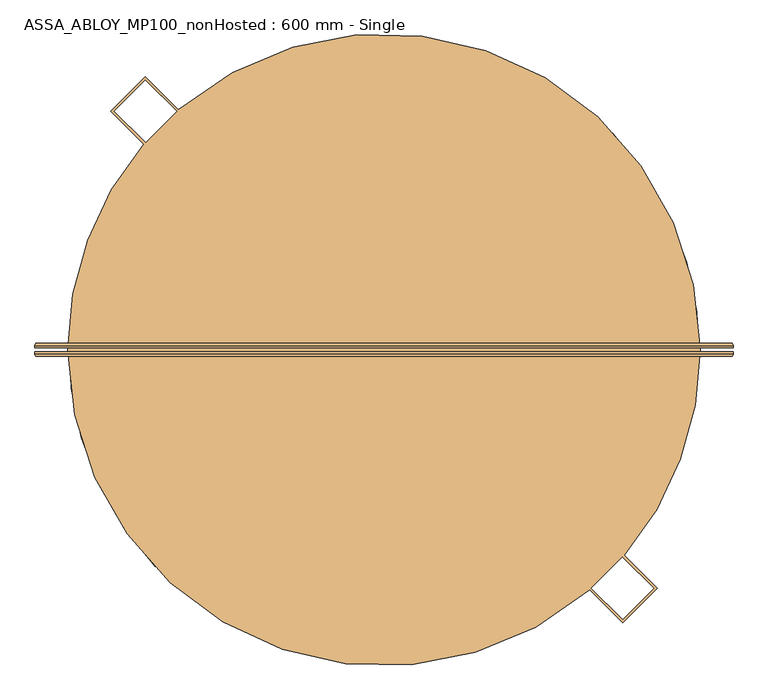
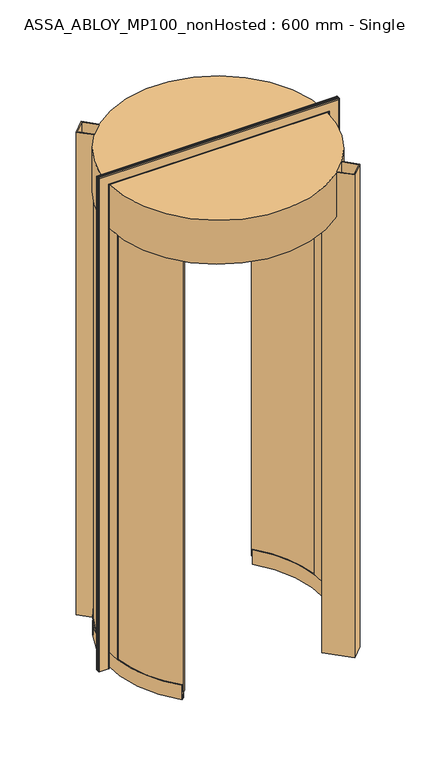
"""IFC4 building model written with IfcOpenShell, lengths in millimetres: door geometry, ASSA_ABLOY_MP100_nonHosted : 600 mm - Single."""

from ifc_helpers import new_model, si_unit, point, frame, origin, origin_2d, place, context, project, spatial, polyline, circle_curve, ellipse_curve, trimmed, segment, composite_curve, outline, extrude, source, transform, mapped, element, save
from ifc_brep_helpers import plane_surface, cylinder_surface, revolved_surface, advanced_brep


def assa_abloy_mp100_nonhosted_600_mm_single_02954cbb(model_context):
    return source(origin(), model_context, "Body", "SolidModel", [
        advanced_brep(
        [(567.5980762, 11.0, 0.0), (571.5980762, 7.0, 0.0), (571.5980762, 3.0, 0.0), (569.5980762, 3.0, 0.0), (569.5980762, 7.0, 0.0), (567.5980762, 9.0, 0.0), (525.5980762, 9.0, 0.0), (523.5980762, 7.0, 0.0), (523.5980762, 3.0, 0.0), (521.5980762, 3.0, 0.0), (521.5980762, 7.0, 0.0), (525.5980762, 11.0, 0.0), (567.5980762, 11.0, 2470.9980762), (571.5980762, 7.0, 2474.9980762), (571.5980762, 3.0, 2474.9980762), (521.5980762, 7.0, 2424.9980762), (525.5980762, 11.0, 2428.9980762), (-525.5980762, 11.0, 2428.9980762), (-525.5980762, 11.0, 0.0), (-567.5980762, 11.0, 0.0), (-567.5980762, 11.0, 2470.9980762), (-571.5980762, 7.0, 2474.9980762), (-571.5980762, 3.0, 2474.9980762), (-521.5980762, 7.0, 2424.9980762), (-521.5980762, 7.0, 0.0), (-521.5980762, 3.0, 0.0), (-523.5980762, 3.0, 0.0), (-523.5980762, 7.0, 0.0), (-525.5980762, 9.0, 0.0), (-567.5980762, 9.0, 0.0), (-569.5980762, 7.0, 0.0), (-569.5980762, 3.0, 0.0), (-571.5980762, 3.0, 0.0), (-571.5980762, 7.0, 0.0), (-569.5980762, 3.0, 2472.9980762), (569.5980762, 3.0, 2472.9980762), (569.5980762, 7.0, 2472.9980762), (567.5980762, 9.0, 2470.9980762), (-567.5980762, 9.0, 2470.9980762), (-525.5980762, 9.0, 2428.9980762), (525.5980762, 9.0, 2428.9980762), (523.5980762, 7.0, 2426.9980762), (523.5980762, 3.0, 2426.9980762), (-523.5980762, 3.0, 2426.9980762), (-521.5980762, 3.0, 2424.9980762), (521.5980762, 3.0, 2424.9980762), (-569.5980762, 7.0, 2472.9980762), (-523.5980762, 7.0, 2426.9980762)],
        [
            (0, 1, circle_curve(frame((567.5980762, 7.0, 0.0), z_axis=(0.0, 0.0, -1.0), x_axis=(-1.0, 0.0, 0.0)), 4.0)),
            (1, 2),
            (2, 3),
            (3, 4),
            (4, 5, circle_curve(frame((567.5980762, 7.0, 0.0), z_axis=(0.0, 0.0, 1.0), x_axis=(-1.0, 0.0, 0.0)), 2.0)),
            (5, 6),
            (6, 7, circle_curve(frame((525.5980762, 7.0, 0.0), z_axis=(0.0, 0.0, 1.0), x_axis=(-1.0, 0.0, 0.0)), 2.0)),
            (7, 8),
            (8, 9),
            (9, 10),
            (10, 11, circle_curve(frame((525.5980762, 7.0, 0.0), z_axis=(0.0, 0.0, -1.0), x_axis=(-1.0, 0.0, 0.0)), 4.0)),
            (11, 0),
            (0, 12),
            (12, 13, ellipse_curve(frame((567.5980762, 7.0, 2470.9980762), z_axis=(0.7071067811865475, 0.0, -0.7071067811865475), x_axis=(-0.7071067811865474, 0.0, -0.7071067811865476)), 5.6568542, 4.0)),
            (13, 1),
            (13, 14),
            (14, 2),
            (10, 15),
            (15, 16, ellipse_curve(frame((525.5980762, 7.0, 2428.9980762), z_axis=(0.7071067811865475, 0.0, -0.7071067811865475), x_axis=(-0.7071067811865474, 0.0, -0.7071067811865476)), 5.6568542, 4.0)),
            (16, 11),
            (16, 17),
            (17, 18),
            (18, 19),
            (19, 20),
            (20, 12),
            (20, 21, ellipse_curve(frame((-567.5980762, 7.0, 2470.9980762), z_axis=(0.7071067811865475, 0.0, 0.7071067811865475), x_axis=(0.7071067811865476, 0.0, -0.7071067811865474)), 5.6568542, 4.0)),
            (21, 13),
            (21, 22),
            (22, 14),
            (15, 23),
            (23, 17, ellipse_curve(frame((-525.5980762, 7.0, 2428.9980762), z_axis=(0.7071067811865475, 0.0, 0.7071067811865475), x_axis=(0.7071067811865476, 0.0, -0.7071067811865474)), 5.6568542, 4.0)),
            (18, 24, circle_curve(frame((-525.5980762, 7.0, 0.0), z_axis=(0.0, 0.0, -1.0), x_axis=(1.0, 0.0, 0.0)), 4.0)),
            (24, 25),
            (25, 26),
            (26, 27),
            (27, 28, circle_curve(frame((-525.5980762, 7.0, 0.0), z_axis=(0.0, 0.0, 1.0), x_axis=(1.0, 0.0, 0.0)), 2.0)),
            (28, 29),
            (29, 30, circle_curve(frame((-567.5980762, 7.0, 0.0), z_axis=(0.0, 0.0, 1.0), x_axis=(1.0, 0.0, 0.0)), 2.0)),
            (30, 31),
            (31, 32),
            (32, 33),
            (33, 19, circle_curve(frame((-567.5980762, 7.0, 0.0), z_axis=(0.0, 0.0, -1.0), x_axis=(1.0, 0.0, 0.0)), 4.0)),
            (33, 21),
            (32, 22),
            (23, 24),
            (31, 34),
            (34, 35),
            (35, 3),
            (35, 36),
            (36, 4),
            (36, 37, ellipse_curve(frame((567.5980762, 7.0, 2470.9980762), z_axis=(-0.7071067811865475, 0.0, 0.7071067811865475), x_axis=(0.7071067811865474, 0.0, 0.7071067811865476)), 2.8284271, 2.0)),
            (37, 5),
            (37, 38),
            (38, 29),
            (28, 39),
            (39, 40),
            (40, 6),
            (40, 41, ellipse_curve(frame((525.5980762, 7.0, 2428.9980762), z_axis=(-0.7071067811865475, 0.0, 0.7071067811865475), x_axis=(0.7071067811865474, 0.0, 0.7071067811865476)), 2.8284271, 2.0)),
            (41, 7),
            (41, 42),
            (42, 8),
            (42, 43),
            (43, 26),
            (25, 44),
            (44, 45),
            (45, 9),
            (45, 15),
            (34, 46),
            (46, 36),
            (46, 38, ellipse_curve(frame((-567.5980762, 7.0, 2470.9980762), z_axis=(-0.7071067811865475, 0.0, -0.7071067811865475), x_axis=(-0.7071067811865476, 0.0, 0.7071067811865474)), 2.8284271, 2.0)),
            (39, 47, ellipse_curve(frame((-525.5980762, 7.0, 2428.9980762), z_axis=(-0.7071067811865475, 0.0, -0.7071067811865475), x_axis=(-0.7071067811865476, 0.0, 0.7071067811865474)), 2.8284271, 2.0)),
            (47, 41),
            (47, 43),
            (44, 23),
            (30, 46),
            (27, 47),
        ],
        [
            plane_surface(frame((521.6, 0.0, 0.0), z_axis=(0.0, 0.0, -1.0), x_axis=(0.0, -1.0, 0.0))),
            cylinder_surface(frame((567.5980762, 7.0, 0.0), z_axis=(0.0, 0.0, -1.0), x_axis=(-1.0, 0.0, 0.0)), 4.0),
            plane_surface(frame((571.5980762, 7.0, 0.0), z_axis=(1.0, 0.0, 0.0), x_axis=(0.0, 0.0, 1.0))),
            cylinder_surface(frame((525.5980762, 7.0, 0.0), z_axis=(0.0, 0.0, -1.0), x_axis=(-1.0, 0.0, 0.0)), 4.0),
            plane_surface(frame((525.5980762, 11.0, 0.0), z_axis=(0.0, 1.0, 0.0), x_axis=(0.0, 0.0, 1.0))),
            cylinder_surface(frame((521.6, 7.0, 2470.9980762), z_axis=(1.0, 0.0, 0.0), x_axis=(0.0, 0.0, -1.0)), 4.0),
            plane_surface(frame((571.5980762, 7.0, 2474.9980762), z_axis=(0.0, 0.0, 1.0), x_axis=(-1.0, 0.0, 0.0))),
            cylinder_surface(frame((521.6, 7.0, 2428.9980762), z_axis=(1.0, 0.0, 0.0), x_axis=(0.0, 0.0, -1.0)), 4.0),
            plane_surface(frame((-521.6, 0.0, 0.0), z_axis=(0.0, 0.0, -1.0), x_axis=(0.0, -1.0, 0.0))),
            cylinder_surface(frame((-567.5980762, 7.0, 2425.0), z_axis=(0.0, 0.0, 1.0), x_axis=(1.0, 0.0, 0.0)), 4.0),
            plane_surface(frame((-571.5980762, 7.0, 2474.9980762), z_axis=(-1.0, 0.0, 0.0), x_axis=(0.0, 0.0, -1.0))),
            cylinder_surface(frame((-525.5980762, 7.0, 2425.0), z_axis=(0.0, 0.0, 1.0), x_axis=(1.0, 0.0, 0.0)), 4.0),
            plane_surface(frame((571.5980762, 3.0, 0.0), z_axis=(0.0, -1.0, 0.0), x_axis=(0.0, 0.0, 1.0))),
            plane_surface(frame((569.5980762, 3.0, 0.0), z_axis=(-1.0, 0.0, 0.0), x_axis=(0.0, 0.0, 1.0))),
            revolved_surface(polyline([(565.5980762, 7.0, 2472.9980762), (565.5980762, 7.0, 0.0)]), (567.5980762, 7.0, 0.0), (0.0, 0.0, 1.0)),
            plane_surface(frame((567.5980762, 9.0, 0.0), z_axis=(0.0, -1.0, 0.0), x_axis=(0.0, 0.0, 1.0))),
            revolved_surface(polyline([(523.5980762, 7.0, 2430.998076182502), (523.5980762, 7.0, 0.0)]), (525.5980762, 7.0, 0.0), (0.0, 0.0, 1.0)),
            plane_surface(frame((523.5980762, 7.0, 0.0), z_axis=(1.0, 0.0, 0.0), x_axis=(0.0, 0.0, 1.0))),
            plane_surface(frame((523.5980762, 3.0, 0.0), z_axis=(0.0, -1.0, 0.0), x_axis=(0.0, 0.0, 1.0))),
            plane_surface(frame((521.5980762, 3.0, 0.0), z_axis=(-1.0, 0.0, 0.0), x_axis=(0.0, 0.0, 1.0))),
            plane_surface(frame((569.5980762, 3.0, 2472.9980762), z_axis=(0.0, 0.0, -1.0), x_axis=(-1.0, 0.0, 0.0))),
            revolved_surface(polyline([(-569.5980762, 7.0, 2468.9980762), (569.5980762, 7.0, 2468.9980762)]), (521.6, 7.0, 2470.9980762), (-1.0, 0.0, 0.0)),
            revolved_surface(polyline([(-527.5980761825018, 7.0, 2426.9980762), (527.5980761825018, 7.0, 2426.9980762)]), (521.6, 7.0, 2428.9980762), (-1.0, 0.0, 0.0)),
            plane_surface(frame((523.5980762, 7.0, 2426.9980762), z_axis=(0.0, 0.0, 1.0), x_axis=(-1.0, 0.0, 0.0))),
            plane_surface(frame((521.5980762, 3.0, 2424.9980762), z_axis=(0.0, 0.0, -1.0), x_axis=(-1.0, 0.0, 0.0))),
            plane_surface(frame((-569.5980762, 3.0, 2472.9980762), z_axis=(1.0, 0.0, 0.0), x_axis=(0.0, 0.0, -1.0))),
            revolved_surface(polyline([(-565.5980762, 7.0, 0.0), (-565.5980762, 7.0, 2472.9980762)]), (-567.5980762, 7.0, 2425.0), (0.0, 0.0, -1.0)),
            revolved_surface(polyline([(-523.5980762, 7.0, 0.0), (-523.5980762, 7.0, 2430.998076182502)]), (-525.5980762, 7.0, 2425.0), (0.0, 0.0, -1.0)),
            plane_surface(frame((-523.5980762, 7.0, 2426.9980762), z_axis=(-1.0, 0.0, 0.0), x_axis=(0.0, 0.0, -1.0))),
            plane_surface(frame((-521.5980762, 3.0, 2424.9980762), z_axis=(1.0, 0.0, 0.0), x_axis=(0.0, 0.0, -1.0))),
        ],
        [
            (0, [[1, 2, 3, 4, 5, 6, 7, 8, 9, 10, 11, 12]]),
            (1, [[-1, 13, 14, 15]]),
            (2, [[-2, -15, 16, 17]]),
            (3, [[-11, 18, 19, 20]]),
            (4, [[-12, -20, 21, 22, 23, 24, 25, -13]]),
            (5, [[-14, -25, 26, 27]]),
            (6, [[-16, -27, 28, 29]]),
            (7, [[-19, 30, 31, -21]]),
            (8, [[-23, 32, 33, 34, 35, 36, 37, 38, 39, 40, 41, 42]]),
            (9, [[-26, -24, -42, 43]]),
            (10, [[-28, -43, -41, 44]]),
            (11, [[-31, 45, -32, -22]]),
            (12, [[-3, -17, -29, -44, -40, 46, 47, 48]]),
            (13, [[-4, -48, 49, 50]]),
            (14, [[-5, -50, 51, 52]]),
            (15, [[-6, -52, 53, 54, -37, 55, 56, 57]]),
            (16, [[-7, -57, 58, 59]]),
            (17, [[-8, -59, 60, 61]]),
            (18, [[-9, -61, 62, 63, -34, 64, 65, 66]]),
            (19, [[-10, -66, 67, -18]]),
            (20, [[-49, -47, 68, 69]]),
            (21, [[-51, -69, 70, -53]]),
            (22, [[-58, -56, 71, 72]]),
            (23, [[-60, -72, 73, -62]]),
            (24, [[-67, -65, 74, -30]]),
            (25, [[-68, -46, -39, 75]]),
            (26, [[-70, -75, -38, -54]]),
            (27, [[-71, -55, -36, 76]]),
            (28, [[-73, -76, -35, -63]]),
            (29, [[-74, -64, -33, -45]]),
        ],
    ),
        advanced_brep(
        [(521.5980762, -3.0, 0.0), (523.5980762, -3.0, 0.0), (523.5980762, -7.0, 0.0), (525.5980762, -9.0, 0.0), (567.5980762, -9.0, 0.0), (569.5980762, -7.0, 0.0), (569.5980762, -3.0, 0.0), (571.5980762, -3.0, 0.0), (571.5980762, -7.0, 0.0), (567.5980762, -11.0, 0.0), (525.5980762, -11.0, 0.0), (521.5980762, -7.0, 0.0), (571.5980762, -7.0, 2474.9980762), (567.5980762, -11.0, 2470.9980762), (-567.5980762, -11.0, 2470.9980762), (-567.5980762, -11.0, 0.0), (-525.5980762, -11.0, 0.0), (-525.5980762, -11.0, 2428.9980762), (525.5980762, -11.0, 2428.9980762), (521.5980762, -7.0, 2424.9980762), (521.5980762, -3.0, 2424.9980762), (-571.5980762, -7.0, 2474.9980762), (-521.5980762, -7.0, 2424.9980762), (-521.5980762, -3.0, 2424.9980762), (-521.5980762, -3.0, 0.0), (-521.5980762, -7.0, 0.0), (-571.5980762, -7.0, 0.0), (-571.5980762, -3.0, 0.0), (-569.5980762, -3.0, 0.0), (-569.5980762, -7.0, 0.0), (-567.5980762, -9.0, 0.0), (-525.5980762, -9.0, 0.0), (-523.5980762, -7.0, 0.0), (-523.5980762, -3.0, 0.0), (-523.5980762, -3.0, 2426.9980762), (523.5980762, -3.0, 2426.9980762), (523.5980762, -7.0, 2426.9980762), (525.5980762, -9.0, 2428.9980762), (-525.5980762, -9.0, 2428.9980762), (-567.5980762, -9.0, 2470.9980762), (567.5980762, -9.0, 2470.9980762), (569.5980762, -7.0, 2472.9980762), (569.5980762, -3.0, 2472.9980762), (-569.5980762, -3.0, 2472.9980762), (-571.5980762, -3.0, 2474.9980762), (571.5980762, -3.0, 2474.9980762), (-523.5980762, -7.0, 2426.9980762), (-569.5980762, -7.0, 2472.9980762)],
        [
            (0, 1),
            (1, 2),
            (2, 3, circle_curve(frame((525.5980762, -7.0, 0.0), z_axis=(0.0, 0.0, 1.0), x_axis=(-1.0, 0.0, 0.0)), 2.0)),
            (3, 4),
            (4, 5, circle_curve(frame((567.5980762, -7.0, 0.0), z_axis=(0.0, 0.0, 1.0), x_axis=(-1.0, 0.0, 0.0)), 2.0)),
            (5, 6),
            (6, 7),
            (7, 8),
            (8, 9, circle_curve(frame((567.5980762, -7.0, 0.0), z_axis=(0.0, 0.0, -1.0), x_axis=(-1.0, 0.0, 0.0)), 4.0)),
            (9, 10),
            (10, 11, circle_curve(frame((525.5980762, -7.0, 0.0), z_axis=(0.0, 0.0, -1.0), x_axis=(-1.0, 0.0, 0.0)), 4.0)),
            (11, 0),
            (8, 12),
            (12, 13, ellipse_curve(frame((567.5980762, -7.0, 2470.9980762), z_axis=(0.7071067811865475, 0.0, -0.7071067811865475), x_axis=(-0.7071067811865474, 0.0, -0.7071067811865476)), 5.6568542, 4.0)),
            (13, 9),
            (13, 14),
            (14, 15),
            (15, 16),
            (16, 17),
            (17, 18),
            (18, 10),
            (18, 19, ellipse_curve(frame((525.5980762, -7.0, 2428.9980762), z_axis=(0.7071067811865475, 0.0, -0.7071067811865475), x_axis=(-0.7071067811865474, 0.0, -0.7071067811865476)), 5.6568542, 4.0)),
            (19, 11),
            (19, 20),
            (20, 0),
            (12, 21),
            (21, 14, ellipse_curve(frame((-567.5980762, -7.0, 2470.9980762), z_axis=(0.7071067811865475, 0.0, 0.7071067811865475), x_axis=(0.7071067811865476, 0.0, -0.7071067811865474)), 5.6568542, 4.0)),
            (17, 22, ellipse_curve(frame((-525.5980762, -7.0, 2428.9980762), z_axis=(0.7071067811865475, 0.0, 0.7071067811865475), x_axis=(0.7071067811865476, 0.0, -0.7071067811865474)), 5.6568542, 4.0)),
            (22, 19),
            (22, 23),
            (23, 20),
            (24, 25),
            (25, 16, circle_curve(frame((-525.5980762, -7.0, 0.0), z_axis=(0.0, 0.0, -1.0), x_axis=(1.0, 0.0, 0.0)), 4.0)),
            (15, 26, circle_curve(frame((-567.5980762, -7.0, 0.0), z_axis=(0.0, 0.0, -1.0), x_axis=(1.0, 0.0, 0.0)), 4.0)),
            (26, 27),
            (27, 28),
            (28, 29),
            (29, 30, circle_curve(frame((-567.5980762, -7.0, 0.0), z_axis=(0.0, 0.0, 1.0), x_axis=(1.0, 0.0, 0.0)), 2.0)),
            (30, 31),
            (31, 32, circle_curve(frame((-525.5980762, -7.0, 0.0), z_axis=(0.0, 0.0, 1.0), x_axis=(1.0, 0.0, 0.0)), 2.0)),
            (32, 33),
            (33, 24),
            (21, 26),
            (25, 22),
            (24, 23),
            (33, 34),
            (34, 35),
            (35, 1),
            (35, 36),
            (36, 2),
            (36, 37, ellipse_curve(frame((525.5980762, -7.0, 2428.9980762), z_axis=(-0.7071067811865475, 0.0, 0.7071067811865475), x_axis=(0.7071067811865474, 0.0, 0.7071067811865476)), 2.8284271, 2.0)),
            (37, 3),
            (37, 38),
            (38, 31),
            (30, 39),
            (39, 40),
            (40, 4),
            (40, 41, ellipse_curve(frame((567.5980762, -7.0, 2470.9980762), z_axis=(-0.7071067811865475, 0.0, 0.7071067811865475), x_axis=(0.7071067811865474, 0.0, 0.7071067811865476)), 2.8284271, 2.0)),
            (41, 5),
            (41, 42),
            (42, 6),
            (42, 43),
            (43, 28),
            (27, 44),
            (44, 45),
            (45, 7),
            (45, 12),
            (34, 46),
            (46, 36),
            (46, 38, ellipse_curve(frame((-525.5980762, -7.0, 2428.9980762), z_axis=(-0.7071067811865475, 0.0, -0.7071067811865475), x_axis=(-0.7071067811865476, 0.0, 0.7071067811865474)), 2.8284271, 2.0)),
            (39, 47, ellipse_curve(frame((-567.5980762, -7.0, 2470.9980762), z_axis=(-0.7071067811865475, 0.0, -0.7071067811865475), x_axis=(-0.7071067811865476, 0.0, 0.7071067811865474)), 2.8284271, 2.0)),
            (47, 41),
            (47, 43),
            (44, 21),
            (32, 46),
            (29, 47),
        ],
        [
            plane_surface(frame((521.6, 0.0, 0.0), z_axis=(0.0, 0.0, -1.0), x_axis=(0.0, -1.0, 0.0))),
            cylinder_surface(frame((567.5980762, -7.0, 0.0), z_axis=(0.0, 0.0, -1.0), x_axis=(-1.0, 0.0, 0.0)), 4.0),
            plane_surface(frame((567.5980762, -11.0, 0.0), z_axis=(0.0, -1.0, 0.0), x_axis=(0.0, 0.0, 1.0))),
            cylinder_surface(frame((525.5980762, -7.0, 0.0), z_axis=(0.0, 0.0, -1.0), x_axis=(-1.0, 0.0, 0.0)), 4.0),
            plane_surface(frame((521.5980762, -7.0, 0.0), z_axis=(-1.0, 0.0, 0.0), x_axis=(0.0, 0.0, 1.0))),
            cylinder_surface(frame((521.6, -7.0, 2470.9980762), z_axis=(1.0, 0.0, 0.0), x_axis=(0.0, 0.0, -1.0)), 4.0),
            cylinder_surface(frame((521.6, -7.0, 2428.9980762), z_axis=(1.0, 0.0, 0.0), x_axis=(0.0, 0.0, -1.0)), 4.0),
            plane_surface(frame((521.5980762, -7.0, 2424.9980762), z_axis=(0.0, 0.0, -1.0), x_axis=(-1.0, 0.0, 0.0))),
            plane_surface(frame((-521.6, 0.0, 0.0), z_axis=(0.0, 0.0, -1.0), x_axis=(0.0, -1.0, 0.0))),
            cylinder_surface(frame((-567.5980762, -7.0, 2425.0), z_axis=(0.0, 0.0, 1.0), x_axis=(1.0, 0.0, 0.0)), 4.0),
            cylinder_surface(frame((-525.5980762, -7.0, 2425.0), z_axis=(0.0, 0.0, 1.0), x_axis=(1.0, 0.0, 0.0)), 4.0),
            plane_surface(frame((-521.5980762, -7.0, 2424.9980762), z_axis=(1.0, 0.0, 0.0), x_axis=(0.0, 0.0, -1.0))),
            plane_surface(frame((521.5980762, -3.0, 0.0), z_axis=(0.0, 1.0, 0.0), x_axis=(0.0, 0.0, 1.0))),
            plane_surface(frame((523.5980762, -3.0, 0.0), z_axis=(1.0, 0.0, 0.0), x_axis=(0.0, 0.0, 1.0))),
            revolved_surface(polyline([(523.5980762, -7.0, 2430.998076182502), (523.5980762, -7.0, 0.0)]), (525.5980762, -7.0, 0.0), (0.0, 0.0, 1.0)),
            plane_surface(frame((525.5980762, -9.0, 0.0), z_axis=(0.0, 1.0, 0.0), x_axis=(0.0, 0.0, 1.0))),
            revolved_surface(polyline([(565.5980762, -7.0, 2472.9980762), (565.5980762, -7.0, 0.0)]), (567.5980762, -7.0, 0.0), (0.0, 0.0, 1.0)),
            plane_surface(frame((569.5980762, -7.0, 0.0), z_axis=(-1.0, 0.0, 0.0), x_axis=(0.0, 0.0, 1.0))),
            plane_surface(frame((569.5980762, -3.0, 0.0), z_axis=(0.0, 1.0, 0.0), x_axis=(0.0, 0.0, 1.0))),
            plane_surface(frame((571.5980762, -3.0, 0.0), z_axis=(1.0, 0.0, 0.0), x_axis=(0.0, 0.0, 1.0))),
            plane_surface(frame((523.5980762, -3.0, 2426.9980762), z_axis=(0.0, 0.0, 1.0), x_axis=(-1.0, 0.0, 0.0))),
            revolved_surface(polyline([(-527.5980761825018, -7.0, 2426.9980762), (527.5980761825018, -7.0, 2426.9980762)]), (521.6, -7.0, 2428.9980762), (-1.0, 0.0, 0.0)),
            revolved_surface(polyline([(-569.5980762, -7.0, 2468.9980762), (569.5980762, -7.0, 2468.9980762)]), (521.6, -7.0, 2470.9980762), (-1.0, 0.0, 0.0)),
            plane_surface(frame((569.5980762, -7.0, 2472.9980762), z_axis=(0.0, 0.0, -1.0), x_axis=(-1.0, 0.0, 0.0))),
            plane_surface(frame((571.5980762, -3.0, 2474.9980762), z_axis=(0.0, 0.0, 1.0), x_axis=(-1.0, 0.0, 0.0))),
            plane_surface(frame((-523.5980762, -3.0, 2426.9980762), z_axis=(-1.0, 0.0, 0.0), x_axis=(0.0, 0.0, -1.0))),
            revolved_surface(polyline([(-523.5980762, -7.0, 0.0), (-523.5980762, -7.0, 2430.998076182502)]), (-525.5980762, -7.0, 2425.0), (0.0, 0.0, -1.0)),
            revolved_surface(polyline([(-565.5980762, -7.0, 0.0), (-565.5980762, -7.0, 2472.9980762)]), (-567.5980762, -7.0, 2425.0), (0.0, 0.0, -1.0)),
            plane_surface(frame((-569.5980762, -7.0, 2472.9980762), z_axis=(1.0, 0.0, 0.0), x_axis=(0.0, 0.0, -1.0))),
            plane_surface(frame((-571.5980762, -3.0, 2474.9980762), z_axis=(-1.0, 0.0, 0.0), x_axis=(0.0, 0.0, -1.0))),
        ],
        [
            (0, [[1, 2, 3, 4, 5, 6, 7, 8, 9, 10, 11, 12]]),
            (1, [[-9, 13, 14, 15]]),
            (2, [[-10, -15, 16, 17, 18, 19, 20, 21]]),
            (3, [[-11, -21, 22, 23]]),
            (4, [[-12, -23, 24, 25]]),
            (5, [[-14, 26, 27, -16]]),
            (6, [[-22, -20, 28, 29]]),
            (7, [[-24, -29, 30, 31]]),
            (8, [[32, 33, -18, 34, 35, 36, 37, 38, 39, 40, 41, 42]]),
            (9, [[-27, 43, -34, -17]]),
            (10, [[-28, -19, -33, 44]]),
            (11, [[-30, -44, -32, 45]]),
            (12, [[-1, -25, -31, -45, -42, 46, 47, 48]]),
            (13, [[-2, -48, 49, 50]]),
            (14, [[-3, -50, 51, 52]]),
            (15, [[-4, -52, 53, 54, -39, 55, 56, 57]]),
            (16, [[-5, -57, 58, 59]]),
            (17, [[-6, -59, 60, 61]]),
            (18, [[-7, -61, 62, 63, -36, 64, 65, 66]]),
            (19, [[-8, -66, 67, -13]]),
            (20, [[-49, -47, 68, 69]]),
            (21, [[-51, -69, 70, -53]]),
            (22, [[-58, -56, 71, 72]]),
            (23, [[-60, -72, 73, -62]]),
            (24, [[-67, -65, 74, -26]]),
            (25, [[-68, -46, -41, 75]]),
            (26, [[-70, -75, -40, -54]]),
            (27, [[-71, -55, -38, 76]]),
            (28, [[-73, -76, -37, -63]]),
            (29, [[-74, -64, -35, -43]]),
        ],
    ),
        advanced_brep(
        [(-360.2894957, -340.9649276, 73.0), (-362.4684463, -343.0270075, 73.0), (-362.4684463, -343.0270075, 39.0), (-372.6368829, -352.6500475, 39.0), (-372.6368829, -352.6500475, 73.0), (-374.8158336, -354.7121275, 73.0), (-374.8158336, -354.7121275, 0.0), (-372.6368829, -352.6500475, 0.0), (-372.6368829, -352.6500475, 24.0), (-362.4684463, -343.0270075, 24.0), (-362.4684463, -343.0270075, 0.0), (-360.2894957, -340.9649276, 0.0), (-388.6935511, 308.1930009, 73.0), (-388.6935511, 308.1930009, 0.0), (-391.0442832, 310.0568836, 0.0), (-391.0442832, 310.0568836, 24.0), (-402.0143663, 318.7550028, 24.0), (-402.0143663, 318.7550028, 0.0), (-404.3650984, 320.6188854, 0.0), (-404.3650984, 320.6188854, 73.0), (-402.0143663, 318.7550028, 73.0), (-402.0143663, 318.7550028, 39.0), (-391.0442832, 310.0568836, 39.0), (-391.0442832, 310.0568836, 73.0), (-492.3576943, -60.4111192, 73.0), (-495.3353641, -60.7764721, 73.0), (-498.7689834, 16.7452596, 73.0), (-495.7706727, 16.6445969, 73.0), (-512.7611008, 17.214995, 73.0), (-509.2311593, -62.4814285, 73.0), (-512.2088291, -62.8467813, 73.0), (-515.7594115, 17.3156576, 73.0), (-515.7594115, 17.3156576, 2200.0), (-512.2088291, -62.8467813, 2200.0), (-509.2311593, -62.4814285, 2200.0), (-512.7611008, 17.214995, 2200.0), (-495.7706727, 16.6445969, 2200.0), (-498.7689834, 16.7452596, 2200.0), (-495.3353641, -60.7764721, 2200.0), (-492.3576943, -60.4111192, 2200.0)],
        [
            (0, 1),
            (1, 2),
            (2, 3),
            (3, 4),
            (4, 5),
            (5, 6),
            (6, 7),
            (7, 8),
            (8, 9),
            (9, 10),
            (10, 11),
            (11, 0),
            (12, 13),
            (13, 14),
            (14, 15),
            (15, 16),
            (16, 17),
            (17, 18),
            (18, 19),
            (19, 20),
            (20, 21),
            (21, 22),
            (22, 23),
            (23, 12),
            (0, 24, circle_curve(frame((0.0, 0.0, 73.0), z_axis=(0.0, 0.0, -1.0), x_axis=(-0.7263168947785216, -0.6873599990974787, 0.0)), 496.05)),
            (24, 25),
            (25, 1, circle_curve(frame((0.0, 0.0, 73.0), z_axis=(0.0, 0.0, 1.0), x_axis=(-0.7263168947785216, -0.6873599990974787, 0.0)), 499.05)),
            (23, 26, circle_curve(frame((0.0, 0.0, 73.0), z_axis=(0.0, 0.0, 1.0), x_axis=(-0.7263168947785216, -0.6873599990974787, 0.0)), 499.05)),
            (26, 27),
            (27, 12, circle_curve(frame((0.0, 0.0, 73.0), z_axis=(0.0, 0.0, -1.0), x_axis=(-0.7263168947785216, -0.6873599990974787, 0.0)), 496.05)),
            (25, 26, circle_curve(frame((0.0, 0.0, 73.0), z_axis=(0.0, 0.0, -1.0), x_axis=(-0.7263168947785216, -0.6873599990974787, 0.0)), 499.05)),
            (22, 2, circle_curve(frame((0.0, 0.0, 39.0), z_axis=(0.0, 0.0, 1.0), x_axis=(-0.7263168947785216, -0.6873599990974787, 0.0)), 499.05)),
            (21, 3, circle_curve(frame((0.0, 0.0, 39.0), z_axis=(0.0, 0.0, 1.0), x_axis=(-0.7263168947785216, -0.6873599990974787, 0.0)), 513.05)),
            (20, 28, circle_curve(frame((0.0, 0.0, 73.0), z_axis=(0.0, 0.0, 1.0), x_axis=(-0.7263168947785216, -0.6873599990974787, 0.0)), 513.05)),
            (28, 29, circle_curve(frame((0.0, 0.0, 73.0), z_axis=(0.0, 0.0, 1.0), x_axis=(-0.7263168947785216, -0.6873599990974787, 0.0)), 513.05)),
            (29, 4, circle_curve(frame((0.0, 0.0, 73.0), z_axis=(0.0, 0.0, 1.0), x_axis=(-0.7263168947785216, -0.6873599990974787, 0.0)), 513.05)),
            (29, 30),
            (30, 5, circle_curve(frame((0.0, 0.0, 73.0), z_axis=(0.0, 0.0, 1.0), x_axis=(-0.7263168947785216, -0.6873599990974787, 0.0)), 516.05)),
            (19, 31, circle_curve(frame((0.0, 0.0, 73.0), z_axis=(0.0, 0.0, 1.0), x_axis=(-0.7263168947785216, -0.6873599990974787, 0.0)), 516.05)),
            (31, 28),
            (30, 31, circle_curve(frame((0.0, 0.0, 73.0), z_axis=(0.0, 0.0, -1.0), x_axis=(-0.7263168947785216, -0.6873599990974787, 0.0)), 516.05)),
            (18, 6, circle_curve(frame((0.0, 0.0, 0.0), z_axis=(0.0, 0.0, 1.0), x_axis=(-0.7263168947785216, -0.6873599990974787, 0.0)), 516.05)),
            (17, 7, circle_curve(frame((0.0, 0.0, 0.0), z_axis=(0.0, 0.0, 1.0), x_axis=(-0.7263168947785216, -0.6873599990974787, 0.0)), 513.05)),
            (16, 8, circle_curve(frame((0.0, 0.0, 24.0), z_axis=(0.0, 0.0, 1.0), x_axis=(-0.7263168947785216, -0.6873599990974787, 0.0)), 513.05)),
            (15, 9, circle_curve(frame((0.0, 0.0, 24.0), z_axis=(0.0, 0.0, 1.0), x_axis=(-0.7263168947785216, -0.6873599990974787, 0.0)), 499.05)),
            (14, 10, circle_curve(frame((0.0, 0.0, 0.0), z_axis=(0.0, 0.0, 1.0), x_axis=(-0.7263168947785216, -0.6873599990974787, 0.0)), 499.05)),
            (13, 11, circle_curve(frame((0.0, 0.0, 0.0), z_axis=(0.0, 0.0, 1.0), x_axis=(-0.7263168947785216, -0.6873599990974787, 0.0)), 496.05)),
            (27, 24, circle_curve(frame((0.0, 0.0, 73.0), z_axis=(0.0, 0.0, 1.0), x_axis=(-0.7263168947785216, -0.6873599990974787, 0.0)), 496.05)),
            (32, 33, circle_curve(frame((0.0, 0.0, 2200.0), z_axis=(0.0, 0.0, 1.0), x_axis=(0.7071067811865459, -0.7071067811865491, 0.0)), 516.05)),
            (33, 34),
            (34, 35, circle_curve(frame((0.0, 0.0, 2200.0), z_axis=(0.0, 0.0, -1.0), x_axis=(0.7071067811865459, -0.7071067811865491, 0.0)), 513.05)),
            (35, 32),
            (32, 31),
            (30, 33),
            (29, 34),
            (28, 35),
            (36, 37),
            (37, 38, circle_curve(frame((0.0, 0.0, 2200.0), z_axis=(0.0, 0.0, 1.0), x_axis=(0.7071067811865459, -0.7071067811865492, 0.0)), 499.05)),
            (38, 39),
            (39, 36, circle_curve(frame((0.0, 0.0, 2200.0), z_axis=(0.0, 0.0, -1.0), x_axis=(0.7071067811865459, -0.7071067811865492, 0.0)), 496.05)),
            (36, 27),
            (26, 37),
            (25, 38),
            (24, 39),
        ],
        [
            plane_surface(frame((-367.5526646, -347.8385275, 0.0), z_axis=(0.6873599990974788, -0.7263168947785217, 0.0), x_axis=(0.0, 0.0, 1.0))),
            plane_surface(frame((-396.5293248, 314.4059432, 0.0), z_axis=(0.6212942262348817, 0.7835773634091273, 0.0), x_axis=(0.0, 0.0, 1.0))),
            plane_surface(frame((0.0, 0.0, 73.0), z_axis=(0.0, 0.0, 1.0000000000000002), x_axis=(-0.7263168947785217, -0.6873599990974788, 0.0))),
            cylinder_surface(frame((0.0, 0.0, 0.0), z_axis=(0.0, 0.0, -1.0), x_axis=(-0.7263168947785216, -0.6873599990974787, 0.0)), 499.05),
            plane_surface(frame((0.0, 0.0, 39.0), z_axis=(0.0, 0.0, 1.0000000000000002), x_axis=(-0.7263168947785217, -0.6873599990974788, 0.0))),
            revolved_surface(polyline([(-372.63688286612046, -352.65004753696144, 39.0), (-372.63688286612046, -352.65004753696144, 73.0)]), (0.0, 0.0, 0.0), (0.0, 0.0, -1.0)),
            cylinder_surface(frame((0.0, 0.0, 0.0), z_axis=(0.0, 0.0, -1.0), x_axis=(-0.7263168947785216, -0.6873599990974787, 0.0)), 516.05),
            plane_surface(frame((0.0, 0.0, 0.0), z_axis=(0.0, 0.0, -1.0000000000000002), x_axis=(-0.7263168947785217, -0.6873599990974788, 0.0))),
            revolved_surface(polyline([(-372.63688286612046, -352.65004753696144, 0.0), (-372.63688286612046, -352.65004753696144, 24.0)]), (0.0, 0.0, 0.0), (0.0, 0.0, -1.0)),
            plane_surface(frame((0.0, 0.0, 24.0), z_axis=(0.0, 0.0, -1.0000000000000002), x_axis=(-0.7263168947785217, -0.6873599990974788, 0.0))),
            revolved_surface(polyline([(-360.2894956548856, -340.9649275523043, 0.0), (-360.2894956548856, -340.9649275523043, 73.0)]), (0.0, 0.0, 0.0), (0.0, 0.0, -1.0)),
            plane_surface(frame((364.9024544, -364.9024544, 2200.0), z_axis=(0.0, 0.0, 1.0), x_axis=(0.7071067811865491, 0.7071067811865459, 0.0))),
            cylinder_surface(frame((0.0, 0.0, 73.0), z_axis=(0.0, 0.0, 1.0), x_axis=(0.7071067811865459, -0.7071067811865491, 0.0)), 516.05),
            plane_surface(frame((-512.2088291, -62.8467813, 2200.0), z_axis=(0.12178427669117847, -0.9925565928201809, 0.0), x_axis=(0.0, 0.0, -1.0))),
            revolved_surface(polyline([(362.7811340877573, -362.78113408775897, 73.0), (362.7811340877573, -362.78113408775897, 2200.0)]), (0.0, 0.0, 73.0), (0.0, 0.0, -1.0)),
            plane_surface(frame((-512.7611008, 17.214995, 2200.0), z_axis=(0.033554214173938134, 0.999436898814112, 0.0), x_axis=(0.0, 0.0, -1.0))),
            plane_surface(frame((-495.7706727, 16.6445969, 2200.0), z_axis=(0.0, 0.0, 1.0000000000000002), x_axis=(-0.9994368980318687, 0.03355423747362182, 0.0))),
            plane_surface(frame((-495.7706727, 16.6445969, 2200.0), z_axis=(0.03355423747362182, 0.9994368980318687, 0.0), x_axis=(0.0, 0.0, -1.0))),
            cylinder_surface(frame((0.0, 0.0, 73.0), z_axis=(0.0, 0.0, 1.0000000000000002), x_axis=(0.7071067811865459, -0.7071067811865492, 0.0)), 499.05),
            plane_surface(frame((-495.3353641, -60.7764721, 2200.0), z_axis=(0.12178429996182864, -0.9925565899649287, 0.0), x_axis=(0.0, 0.0, -1.0))),
            revolved_surface(polyline([(350.7603188075861, -350.76031880758774, 73.0), (350.7603188075861, -350.76031880758774, 2200.000000000001)]), (0.0, 0.0, 73.0), (0.0, 0.0, -1.0000000000000002)),
        ],
        [
            (0, [[1, 2, 3, 4, 5, 6, 7, 8, 9, 10, 11, 12]]),
            (1, [[13, 14, 15, 16, 17, 18, 19, 20, 21, 22, 23, 24]]),
            (2, [[-1, 25, 26, 27]]),
            (2, [[-24, 28, 29, 30]]),
            (3, [[-2, -27, 31, -28, -23, 32]]),
            (4, [[-3, -32, -22, 33]]),
            (5, [[-4, -33, -21, 34, 35, 36]]),
            (2, [[-5, -36, 37, 38]]),
            (2, [[-20, 39, 40, -34]]),
            (6, [[-6, -38, 41, -39, -19, 42]]),
            (7, [[-7, -42, -18, 43]]),
            (8, [[-8, -43, -17, 44]]),
            (9, [[-9, -44, -16, 45]]),
            (3, [[-10, -45, -15, 46]]),
            (7, [[-11, -46, -14, 47]]),
            (10, [[-12, -47, -13, -30, 48, -25]]),
            (11, [[49, 50, 51, 52]]),
            (12, [[-49, 53, -41, 54]]),
            (13, [[-50, -54, -37, 55]]),
            (14, [[-51, -55, -35, 56]]),
            (15, [[-52, -56, -40, -53]]),
            (16, [[57, 58, 59, 60]]),
            (17, [[-57, 61, -29, 62]]),
            (18, [[-58, -62, -31, 63]]),
            (19, [[-59, -63, -26, 64]]),
            (20, [[-60, -64, -48, -61]]),
        ],
    ),
        advanced_brep(
        [(512.2074017, 62.8465953, 2200.0), (509.2297319, 62.4812425, 2200.0), (512.7596625, -17.2149359, 2200.0), (515.7579732, -17.3155985, 2200.0), (512.2074017, 62.8465953, 73.0), (509.2297319, 62.4812425, 73.0), (512.7596625, -17.2149359, 73.0), (515.7579732, -17.3155985, 73.0), (402.0158052, -318.7508713, 24.0), (402.0158052, -318.7508713, 0.0), (404.3665523, -320.614735, 0.0), (404.3665523, -320.614735, 73.0), (402.0158052, -318.7508713, 73.0), (402.0158052, -318.7508713, 39.0), (391.045652, -310.0528404, 39.0), (391.045652, -310.0528404, 73.0), (388.6949049, -308.1889767, 73.0), (388.6949049, -308.1889767, 0.0), (391.045652, -310.0528404, 0.0), (391.045652, -310.0528404, 24.0), (372.6377991, 352.6469853, 24.0), (362.469309, 343.0240019, 24.0), (362.469309, 343.0240019, 0.0), (360.2903468, 340.961934, 0.0), (360.2903468, 340.961934, 73.0), (362.469309, 343.0240019, 73.0), (362.469309, 343.0240019, 39.0), (372.6377991, 352.6469853, 39.0), (372.6377991, 352.6469853, 73.0), (374.8167612, 354.7090532, 73.0), (374.8167612, 354.7090532, 0.0), (372.6377991, 352.6469853, 0.0), (495.3339396, 60.7762628, 73.0), (498.7675459, -16.745177, 73.0), (495.7692352, -16.6445144, 73.0), (492.3562698, 60.41091, 73.0), (492.3562698, 60.41091, 2200.0), (495.7692352, -16.6445144, 2200.0), (498.7675459, -16.745177, 2200.0), (495.3339396, 60.7762628, 2200.0)],
        [
            (0, 1),
            (1, 2, circle_curve(frame((0.0, 0.0, 2200.0), z_axis=(0.0, 0.0, -1.0), x_axis=(-0.7071067811865481, -0.7071067811865469, 0.0)), 513.0485606)),
            (2, 3),
            (3, 0, circle_curve(frame((0.0, 0.0, 2200.0), z_axis=(0.0, 0.0, 1.0), x_axis=(-0.7071067811865481, -0.7071067811865469, 0.0)), 516.0485606)),
            (0, 4),
            (4, 5),
            (5, 1),
            (5, 6, circle_curve(frame((0.0, 0.0, 73.0), z_axis=(0.0, 0.0, -1.0), x_axis=(-0.7071067811865481, -0.7071067811865469, 0.0)), 513.0485606)),
            (6, 2),
            (6, 7),
            (7, 3),
            (7, 4, circle_curve(frame((0.0, 0.0, 73.0), z_axis=(0.0, 0.0, 1.0), x_axis=(-0.7071067811865481, -0.7071067811865469, 0.0)), 516.0485606)),
            (8, 9),
            (9, 10),
            (10, 11),
            (11, 12),
            (12, 13),
            (13, 14),
            (14, 15),
            (15, 16),
            (16, 17),
            (17, 18),
            (18, 19),
            (19, 8),
            (20, 21),
            (21, 22),
            (22, 23),
            (23, 24),
            (24, 25),
            (25, 26),
            (26, 27),
            (27, 28),
            (28, 29),
            (29, 30),
            (30, 31),
            (31, 20),
            (8, 20, circle_curve(frame((0.0, 0.0, 24.0), z_axis=(0.0, 0.0, 1.0), x_axis=(0.7835823663325979, -0.6212879164868783, 0.0)), 513.0485606)),
            (31, 9, circle_curve(frame((0.0, 0.0, 0.0), z_axis=(0.0, 0.0, -1.0), x_axis=(0.7835823663325979, -0.6212879164868783, 0.0)), 513.0485606)),
            (30, 10, circle_curve(frame((0.0, 0.0, 0.0), z_axis=(0.0, 0.0, -1.0), x_axis=(0.7835823663325979, -0.6212879164868783, 0.0)), 516.0485606)),
            (29, 4, circle_curve(frame((0.0, 0.0, 73.0), z_axis=(0.0, 0.0, -1.0), x_axis=(0.7835823663325979, -0.6212879164868783, 0.0)), 516.0485606)),
            (7, 11, circle_curve(frame((0.0, 0.0, 73.0), z_axis=(0.0, 0.0, -1.0), x_axis=(0.7835823663325979, -0.6212879164868783, 0.0)), 516.0485606)),
            (6, 12, circle_curve(frame((0.0, 0.0, 73.0), z_axis=(0.0, 0.0, -1.0), x_axis=(0.7835823663325979, -0.6212879164868783, 0.0)), 513.0485606)),
            (28, 5, circle_curve(frame((0.0, 0.0, 73.0), z_axis=(0.0, 0.0, -1.0), x_axis=(0.7835823663325979, -0.6212879164868783, 0.0)), 513.0485606)),
            (27, 13, circle_curve(frame((0.0, 0.0, 39.0), z_axis=(0.0, 0.0, -1.0), x_axis=(0.7835823663325979, -0.6212879164868783, 0.0)), 513.0485606)),
            (26, 14, circle_curve(frame((0.0, 0.0, 39.0), z_axis=(0.0, 0.0, -1.0), x_axis=(0.7835823663325979, -0.6212879164868783, 0.0)), 499.0485606)),
            (25, 32, circle_curve(frame((0.0, 0.0, 73.0), z_axis=(0.0, 0.0, -1.0), x_axis=(0.7835823663325979, -0.6212879164868783, 0.0)), 499.0485606)),
            (32, 33, circle_curve(frame((0.0, 0.0, 73.0), z_axis=(0.0, 0.0, -1.0), x_axis=(0.7835823663325979, -0.6212879164868783, 0.0)), 499.0485606)),
            (33, 15, circle_curve(frame((0.0, 0.0, 73.0), z_axis=(0.0, 0.0, -1.0), x_axis=(0.7835823663325979, -0.6212879164868783, 0.0)), 499.0485606)),
            (33, 34),
            (34, 16, circle_curve(frame((0.0, 0.0, 73.0), z_axis=(0.0, 0.0, -1.0), x_axis=(0.7835823663325979, -0.6212879164868783, 0.0)), 496.0485606)),
            (24, 35, circle_curve(frame((0.0, 0.0, 73.0), z_axis=(0.0, 0.0, -1.0), x_axis=(0.7835823663325979, -0.6212879164868783, 0.0)), 496.0485606)),
            (35, 32),
            (34, 35, circle_curve(frame((0.0, 0.0, 73.0), z_axis=(0.0, 0.0, 1.0), x_axis=(0.7835823663325979, -0.6212879164868783, 0.0)), 496.0485606)),
            (23, 17, circle_curve(frame((0.0, 0.0, 0.0), z_axis=(0.0, 0.0, -1.0), x_axis=(0.7835823663325979, -0.6212879164868783, 0.0)), 496.0485606)),
            (22, 18, circle_curve(frame((0.0, 0.0, 0.0), z_axis=(0.0, 0.0, -1.0), x_axis=(0.7835823663325979, -0.6212879164868783, 0.0)), 499.0485606)),
            (21, 19, circle_curve(frame((0.0, 0.0, 24.0), z_axis=(0.0, 0.0, -1.0), x_axis=(0.7835823663325979, -0.6212879164868783, 0.0)), 499.0485606)),
            (36, 37, circle_curve(frame((0.0, 0.0, 2200.0), z_axis=(0.0, 0.0, -1.0), x_axis=(-0.707106781186548, -0.707106781186547, 0.0)), 496.0485606)),
            (37, 38),
            (38, 39, circle_curve(frame((0.0, 0.0, 2200.0), z_axis=(0.0, 0.0, 1.0), x_axis=(-0.707106781186548, -0.707106781186547, 0.0)), 499.0485606)),
            (39, 36),
            (36, 35),
            (34, 37),
            (33, 38),
            (32, 39),
        ],
        [
            plane_surface(frame((512.2074017, 62.8465953, 2200.0), z_axis=(0.0, 0.0, 1.0000000000000002), x_axis=(-0.9925565940956186, -0.12178426629620777, 0.0))),
            plane_surface(frame((512.2074017, 62.8465953, 2200.0), z_axis=(-0.12178426629620777, 0.9925565940956186, 0.0), x_axis=(0.0, 0.0, -1.0))),
            revolved_surface(polyline([(-362.78011627825765, -362.780116278257, 73.0), (-362.78011627825765, -362.780116278257, 2200.0)]), (0.0, 0.0, 73.0), (0.0, 0.0, -1.0)),
            plane_surface(frame((512.7596625, -17.2149359, 2200.0), z_axis=(-0.03355420367297155, -0.9994368991666621, 0.0), x_axis=(0.0, 0.0, -1.0))),
            cylinder_surface(frame((0.0, 0.0, 73.0), z_axis=(0.0, 0.0, 1.0), x_axis=(-0.7071067811865481, -0.7071067811865469, 0.0)), 516.0485606),
            plane_surface(frame((396.5307286, -314.4018559, 0.0), z_axis=(-0.6212879164868783, -0.7835823663325979, 0.0), x_axis=(0.0, 0.0, 1.0))),
            plane_surface(frame((367.553554, 347.8354936, 0.0), z_axis=(-0.687355958840812, 0.7263207183097754, 0.0), x_axis=(0.0, 0.0, 1.0))),
            revolved_surface(polyline([(402.01580515848127, -318.7508712717659, 24.0), (402.01580515848127, -318.7508712717659, 0.0)]), (0.0, 0.0, 0.0), (0.0, 0.0, 1.0)),
            plane_surface(frame((0.0, 0.0, 0.0), z_axis=(0.0, 0.0, -1.0), x_axis=(0.7835823663325979, -0.6212879164868783, 0.0))),
            cylinder_surface(frame((0.0, 0.0, 0.0), z_axis=(0.0, 0.0, 1.0), x_axis=(0.7835823663325979, -0.6212879164868783, 0.0)), 516.0485606),
            plane_surface(frame((0.0, 0.0, 73.0), z_axis=(0.0, 0.0, 1.0), x_axis=(0.7835823663325979, -0.6212879164868783, 0.0))),
            revolved_surface(polyline([(402.01580515848127, -318.7508712717659, 73.0), (402.01580515848127, -318.7508712717659, 39.0)]), (0.0, 0.0, 0.0), (0.0, 0.0, 1.0)),
            plane_surface(frame((0.0, 0.0, 39.0), z_axis=(0.0, 0.0, 1.0), x_axis=(0.7835823663325979, -0.6212879164868783, 0.0))),
            cylinder_surface(frame((0.0, 0.0, 0.0), z_axis=(0.0, 0.0, 1.0), x_axis=(0.7835823663325979, -0.6212879164868783, 0.0)), 499.0485606),
            revolved_surface(polyline([(388.6949049308271, -308.18897669148896, 73.0), (388.6949049308271, -308.18897669148896, 0.0)]), (0.0, 0.0, 0.0), (0.0, 0.0, 1.0)),
            plane_surface(frame((0.0, 0.0, 24.0), z_axis=(0.0, 0.0, -1.0), x_axis=(0.7835823663325979, -0.6212879164868783, 0.0))),
            plane_surface(frame((-350.759301, -350.759301, 2200.0), z_axis=(0.0, 0.0, 1.0), x_axis=(-0.707106781186547, 0.707106781186548, 0.0))),
            revolved_surface(polyline([(-350.7593009980863, -350.7593009980858, 73.0), (-350.7593009980863, -350.7593009980858, 2200.0)]), (0.0, 0.0, 73.0), (0.0, 0.0, -1.0)),
            plane_surface(frame((495.7692352, -16.6445144, 2200.0), z_axis=(-0.033554203670224374, -0.9994368991667544, 0.0), x_axis=(0.0, 0.0, -1.0))),
            cylinder_surface(frame((0.0, 0.0, 73.0), z_axis=(0.0, 0.0, 1.0), x_axis=(-0.707106781186548, -0.707106781186547, 0.0)), 499.0485606),
            plane_surface(frame((495.3339396, 60.7762628, 2200.0), z_axis=(-0.12178426630457767, 0.9925565940945915, 0.0), x_axis=(0.0, 0.0, -1.0))),
        ],
        [
            (0, [[1, 2, 3, 4]]),
            (1, [[-1, 5, 6, 7]]),
            (2, [[-2, -7, 8, 9]]),
            (3, [[-3, -9, 10, 11]]),
            (4, [[-4, -11, 12, -5]]),
            (5, [[13, 14, 15, 16, 17, 18, 19, 20, 21, 22, 23, 24]]),
            (6, [[25, 26, 27, 28, 29, 30, 31, 32, 33, 34, 35, 36]]),
            (7, [[-13, 37, -36, 38]]),
            (8, [[-14, -38, -35, 39]]),
            (9, [[-15, -39, -34, 40, -12, 41]]),
            (10, [[-16, -41, -10, 42]]),
            (10, [[-33, 43, -6, -40]]),
            (11, [[-17, -42, -8, -43, -32, 44]]),
            (12, [[-18, -44, -31, 45]]),
            (13, [[-19, -45, -30, 46, 47, 48]]),
            (10, [[-20, -48, 49, 50]]),
            (10, [[-29, 51, 52, -46]]),
            (14, [[-21, -50, 53, -51, -28, 54]]),
            (8, [[-22, -54, -27, 55]]),
            (13, [[-23, -55, -26, 56]]),
            (15, [[-24, -56, -25, -37]]),
            (16, [[57, 58, 59, 60]]),
            (17, [[-57, 61, -53, 62]]),
            (18, [[-58, -62, -49, 63]]),
            (19, [[-59, -63, -47, 64]]),
            (20, [[-60, -64, -52, -61]]),
        ],
    ),
        advanced_brep(
        [(390.6764966, -447.2450391, 2420.0), (447.2450391, -390.6764966, 2420.0), (393.117281, -336.5487385, 2420.0), (517.5, 0.0, 2420.0), (-336.5487385, 393.117281, 2420.0), (-390.6764966, 447.2450391, 2420.0), (-447.2450391, 390.6764966, 2420.0), (-393.117281, 336.5487385, 2420.0), (-517.5, 0.0, 2420.0), (336.5487385, -393.117281, 2420.0), (441.5881849, -390.6764966, 2420.0), (390.6764966, -441.5881849, 2420.0), (339.5854207, -390.4971089, 2420.0), (390.4971089, -339.5854207, 2420.0), (-339.5854207, 390.4971089, 2420.0), (-390.4971089, 339.5854207, 2420.0), (-441.5881849, 390.6764966, 2420.0), (-390.6764966, 441.5881849, 2420.0), (336.5487385, -393.117281, 2200.0), (-517.5, 0.0, 2200.0), (-393.117281, 336.5487385, 2200.0), (-348.2500897, 291.6815472, 2200.0), (-291.6815472, 348.2500897, 2200.0), (-336.5487385, 393.117281, 2200.0), (517.5, 0.0, 2200.0), (393.117281, -336.5487385, 2200.0), (348.2500897, -291.6815472, 2200.0), (291.6815472, -348.2500897, 2200.0), (390.4971089, -339.5854207, 2200.0), (339.5854207, -390.4971089, 2200.0), (297.3384015, -348.2500897, 2200.0), (348.2500897, -297.3384015, 2200.0), (-390.4971089, 339.5854207, 2200.0), (-339.5854207, 390.4971089, 2200.0), (-297.3384015, 348.2500897, 2200.0), (-348.2500897, 297.3384015, 2200.0), (390.6764966, -447.2450391, 0.0), (291.6815472, -348.2500897, 0.0), (348.2500897, -291.6815472, 0.0), (447.2450391, -390.6764966, 0.0), (348.2500897, -297.3384015, 0.0), (297.3384015, -348.2500897, 0.0), (390.6764966, -441.5881849, 0.0), (441.5881849, -390.6764966, 0.0), (-291.6815472, 348.2500897, 0.0), (-348.2500897, 291.6815472, 0.0), (-447.2450391, 390.6764966, 0.0), (-390.6764966, 447.2450391, 0.0), (-441.5881849, 390.6764966, 0.0), (-348.2500897, 297.3384015, 0.0), (-297.3384015, 348.2500897, 0.0), (-390.6764966, 441.5881849, 0.0)],
        [
            (0, 1),
            (1, 2),
            (2, 3, circle_curve(frame((0.0, 0.0, 2420.0), z_axis=(0.0, 0.0, 1.0), x_axis=(1.0, 0.0, 0.0)), 517.5)),
            (3, 4, circle_curve(frame((0.0, 0.0, 2420.0), z_axis=(0.0, 0.0, 1.0), x_axis=(1.0, 0.0, 0.0)), 517.5)),
            (4, 5),
            (5, 6),
            (6, 7),
            (7, 8, circle_curve(frame((0.0, 0.0, 2420.0), z_axis=(0.0, 0.0, 1.0), x_axis=(1.0, 0.0, 0.0)), 517.5)),
            (8, 9, circle_curve(frame((0.0, 0.0, 2420.0), z_axis=(0.0, 0.0, 1.0), x_axis=(1.0, 0.0, 0.0)), 517.5)),
            (9, 0),
            (10, 11),
            (11, 12),
            (12, 13, circle_curve(frame((0.0, 0.0, 2420.0), z_axis=(0.0, 0.0, 1.0), x_axis=(1.0, 0.0, 0.0)), 517.5)),
            (13, 10),
            (14, 15, circle_curve(frame((0.0, 0.0, 2420.0), z_axis=(0.0, 0.0, 1.0), x_axis=(1.0, 0.0, 0.0)), 517.5)),
            (15, 16),
            (16, 17),
            (17, 14),
            (18, 19, circle_curve(frame((0.0, 0.0, 2200.0), z_axis=(0.0, 0.0, -1.0), x_axis=(1.0, 0.0, 0.0)), 517.5)),
            (19, 20, circle_curve(frame((0.0, 0.0, 2200.0), z_axis=(0.0, 0.0, -1.0), x_axis=(1.0, 0.0, 0.0)), 517.5)),
            (20, 21),
            (21, 22),
            (22, 23),
            (23, 24, circle_curve(frame((0.0, 0.0, 2200.0), z_axis=(0.0, 0.0, -1.0), x_axis=(1.0, 0.0, 0.0)), 517.5)),
            (24, 25, circle_curve(frame((0.0, 0.0, 2200.0), z_axis=(0.0, 0.0, -1.0), x_axis=(1.0, 0.0, 0.0)), 517.5)),
            (25, 26),
            (26, 27),
            (27, 18),
            (28, 29, circle_curve(frame((0.0, 0.0, 2200.0), z_axis=(0.0, 0.0, -1.0), x_axis=(1.0, 0.0, 0.0)), 517.5)),
            (29, 30),
            (30, 31),
            (31, 28),
            (32, 33, circle_curve(frame((0.0, 0.0, 2200.0), z_axis=(0.0, 0.0, -1.0), x_axis=(1.0, 0.0, 0.0)), 517.5)),
            (33, 34),
            (34, 35),
            (35, 32),
            (12, 29),
            (28, 13),
            (8, 19),
            (18, 9),
            (24, 3),
            (2, 25),
            (14, 33),
            (32, 15),
            (7, 20),
            (23, 4),
            (36, 37),
            (37, 38),
            (38, 39),
            (39, 36),
            (40, 41),
            (41, 42),
            (42, 43),
            (43, 40),
            (36, 0),
            (27, 37),
            (26, 38),
            (1, 39),
            (40, 31),
            (30, 41),
            (11, 42),
            (10, 43),
            (44, 45),
            (45, 46),
            (46, 47),
            (47, 44),
            (48, 49),
            (49, 50),
            (50, 51),
            (51, 48),
            (44, 22),
            (21, 45),
            (6, 46),
            (5, 47),
            (48, 16),
            (35, 49),
            (34, 50),
            (17, 51),
        ],
        [
            plane_surface(frame((517.5, 0.0, 2420.0), z_axis=(0.0, 0.0, 1.0), x_axis=(0.0, 1.0, 0.0))),
            plane_surface(frame((517.5, 0.0, 2200.0), z_axis=(0.0, 0.0, -1.0), x_axis=(0.0, -1.0, 0.0))),
            cylinder_surface(frame((0.0, 0.0, 2200.0), z_axis=(0.0, 0.0, 1.0), x_axis=(1.0, 0.0, 0.0)), 517.5),
            plane_surface(frame((365.9277593, -365.9277593, 0.0), z_axis=(0.0, 0.0, -1.0), x_axis=(0.7071067811865459, -0.7071067811865491, 0.0))),
            plane_surface(frame((390.6764966, -447.2450391, 0.0), z_axis=(-0.7071067811865492, -0.7071067811865459, 0.0), x_axis=(0.0, 0.0, 1.0))),
            plane_surface(frame((291.6815472, -348.2500897, 0.0), z_axis=(-0.7071067811865457, 0.7071067811865495, 0.0), x_axis=(0.0, 0.0, 1.0))),
            plane_surface(frame((348.2500897, -291.6815472, 0.0), z_axis=(0.7071067811865491, 0.7071067811865459, 0.0), x_axis=(0.0, 0.0, 1.0))),
            plane_surface(frame((447.2450391, -390.6764966, 0.0), z_axis=(0.7071067811865458, -0.7071067811865492, 0.0), x_axis=(0.0, 0.0, 1.0))),
            plane_surface(frame((348.2500897, -297.3384015, 0.0), z_axis=(0.7071067811865457, -0.7071067811865495, 0.0), x_axis=(0.0, 0.0, 1.0))),
            plane_surface(frame((297.3384015, -348.2500897, 0.0), z_axis=(0.7071067811865492, 0.7071067811865459, 0.0), x_axis=(0.0, 0.0, 1.0))),
            plane_surface(frame((390.6764966, -441.5881849, 0.0), z_axis=(-0.7071067811865461, 0.707106781186549, 0.0), x_axis=(0.0, 0.0, 1.0))),
            plane_surface(frame((441.5881849, -390.6764966, 0.0), z_axis=(-0.7071067811865492, -0.7071067811865459, 0.0), x_axis=(0.0, 0.0, 1.0))),
            plane_surface(frame((-365.9277593, 365.9277593, 0.0), z_axis=(0.0, 0.0, -1.0), x_axis=(-0.707106781186546, 0.7071067811865491, 0.0))),
            plane_surface(frame((-291.6815472, 348.2500897, 0.0), z_axis=(0.7071067811865461, -0.707106781186549, 0.0), x_axis=(0.0, 0.0, 1.0))),
            plane_surface(frame((-348.2500897, 291.6815472, 0.0), z_axis=(-0.707106781186549, -0.7071067811865461, 0.0), x_axis=(0.0, 0.0, 1.0))),
            plane_surface(frame((-447.2450391, 390.6764966, 0.0), z_axis=(-0.7071067811865458, 0.7071067811865492, 0.0), x_axis=(0.0, 0.0, 1.0))),
            plane_surface(frame((-390.6764966, 447.2450391, 0.0), z_axis=(0.7071067811865491, 0.7071067811865459, 0.0), x_axis=(0.0, 0.0, 1.0))),
            plane_surface(frame((-441.5881849, 390.6764966, 0.0), z_axis=(0.7071067811865491, 0.707106781186546, 0.0), x_axis=(0.0, 0.0, 1.0))),
            plane_surface(frame((-348.2500897, 297.3384015, 0.0), z_axis=(-0.7071067811865461, 0.7071067811865489, 0.0), x_axis=(0.0, 0.0, 1.0))),
            plane_surface(frame((-297.3384015, 348.2500897, 0.0), z_axis=(-0.7071067811865491, -0.707106781186546, 0.0), x_axis=(0.0, 0.0, 1.0))),
            plane_surface(frame((-390.6764966, 441.5881849, 0.0), z_axis=(0.7071067811865461, -0.7071067811865489, 0.0), x_axis=(0.0, 0.0, 1.0))),
        ],
        [
            (0, [[1, 2, 3, 4, 5, 6, 7, 8, 9, 10], [11, 12, 13, 14], [15, 16, 17, 18]]),
            (1, [[19, 20, 21, 22, 23, 24, 25, 26, 27, 28]]),
            (1, [[29, 30, 31, 32]]),
            (1, [[33, 34, 35, 36]]),
            (2, [[-13, 37, -29, 38]]),
            (2, [[39, -19, 40, -9]]),
            (2, [[41, -3, 42, -25]]),
            (2, [[-15, 43, -33, 44]]),
            (2, [[-39, -8, 45, -20]]),
            (2, [[-41, -24, 46, -4]]),
            (3, [[47, 48, 49, 50], [51, 52, 53, 54]]),
            (4, [[-47, 55, -10, -40, -28, 56]]),
            (5, [[-48, -56, -27, 57]]),
            (6, [[-49, -57, -26, -42, -2, 58]]),
            (7, [[-50, -58, -1, -55]]),
            (8, [[-51, 59, -31, 60]]),
            (9, [[-52, -60, -30, -37, -12, 61]]),
            (10, [[-53, -61, -11, 62]]),
            (11, [[-54, -62, -14, -38, -32, -59]]),
            (12, [[63, 64, 65, 66], [67, 68, 69, 70]]),
            (13, [[-63, 71, -22, 72]]),
            (14, [[-64, -72, -21, -45, -7, 73]]),
            (15, [[-65, -73, -6, 74]]),
            (16, [[-66, -74, -5, -46, -23, -71]]),
            (17, [[-67, 75, -16, -44, -36, 76]]),
            (18, [[-68, -76, -35, 77]]),
            (19, [[-69, -77, -34, -43, -18, 78]]),
            (20, [[-70, -78, -17, -75]]),
        ],
    ),
        extrude(outline(composite_curve([segment(trimmed(circle_curve(origin_2d(), 501.05), [point((-389.9544033, 314.6214644))], [point((-360.5408988, -347.9387343))], True, "CARTESIAN"), True, "CONTINUOUS"), segment(polyline([(-360.5408988, -347.9387343), (-367.7366058, -354.8829262)]), True, "CONTINUOUS"), segment(trimmed(circle_curve(origin_2d(), 511.05), [point((-367.7366058, -354.8829262))], [point((-397.7371476, 320.9007072))], False, "CARTESIAN"), True, "CONTINUOUS"), segment(polyline([(-397.7371476, 320.9007072), (-389.9544033, 314.6214644)]), True, "CONTINUOUS")], self_intersect=False)), frame((0.0, 0.0, 39.0), z_axis=(0.0, 0.0, 1.0), x_axis=(1.0, 0.0, 0.0)), (0.0, 0.0, 1.0), 2161.0),
        extrude(outline(composite_curve([segment(trimmed(circle_curve(origin_2d(), 511.0485606), [point((367.735588, 354.881908))], [point((397.5447376, -321.1367511))], False, "CARTESIAN"), True, "CONTINUOUS"), segment(polyline([(397.5447376, -321.1367511), (389.7657364, -314.8528717)]), True, "CONTINUOUS"), segment(trimmed(circle_curve(origin_2d(), 501.0485606), [point((389.7657364, -314.8528717))], [point((360.5398806, 347.9377165))], True, "CARTESIAN"), True, "CONTINUOUS"), segment(polyline([(360.5398806, 347.9377165), (367.735588, 354.881908)]), True, "CONTINUOUS")], self_intersect=False)), frame((0.0, 0.0, 39.0), z_axis=(0.0, 0.0, 1.0), x_axis=(1.0, 0.0, 0.0)), (0.0, 0.0, 1.0), 2161.0),
    ])


if __name__ == "__main__":
    model = new_model("IFC4")
    model_context = context("Model", 3, world=origin())
    ifc_project = project(units=[si_unit("LENGTHUNIT", "METRE", prefix="MILLI")], contexts=[model_context])
    site = spatial("IfcSite", under=ifc_project)
    building = spatial("IfcBuilding", under=site)
    placement = place(None, origin())
    assa_abloy_mp100_nonhosted_600_mm_single_shape = assa_abloy_mp100_nonhosted_600_mm_single_02954cbb(model_context)
    element("IfcDoor", 1, ObjectType="ASSA_ABLOY_MP100_nonHosted : 600 mm - Single", at=placement, inside=building, context=model_context, shape_type="MappedRepresentation", body=[
        mapped(assa_abloy_mp100_nonhosted_600_mm_single_shape, transform((0.0, 0.0, 0.0), x_axis=(1.0, 0.0, 0.0), y_axis=(0.0, 1.0, 0.0), z_axis=(0.0, 0.0, 1.0))),
    ])
    save(model, "model.ifc")
